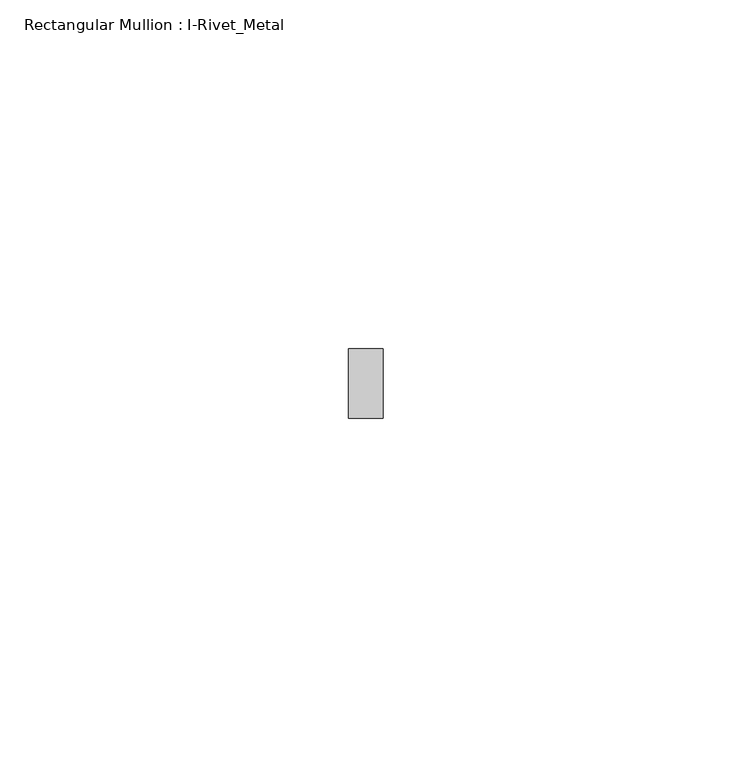
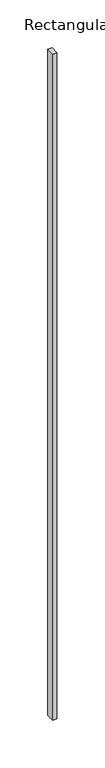
"""IFC4 building model written with IfcOpenShell, lengths in millimetres: member geometry, Rectangular Mullion : I-Rivet_Metal."""

from ifc_helpers import new_model, si_unit, frame, origin, place, context, project, spatial, polyline, outline, extrude, source, transform, mapped, element, save


def rectangular_mullion_i_rivet_metal_5f5be3e1(model_context):
    return source(origin(), model_context, "Body", "SweptSolid", [
        extrude(outline(polyline([(-5.0, 70.0), (-5.0, 80.0), (0.0, 80.0), (0.0, 70.0), (-5.0, 70.0)])), frame((0.0, 0.0, -847.5), z_axis=(0.0, 0.0, 1.0), x_axis=(1.0, 0.0, 0.0)), (0.0, 0.0, 1.0), 847.5),
    ])


if __name__ == "__main__":
    model = new_model("IFC4")
    model_context = context("Model", 3, world=origin())
    ifc_project = project(units=[si_unit("LENGTHUNIT", "METRE", prefix="MILLI")], contexts=[model_context])
    site = spatial("IfcSite", under=ifc_project)
    building = spatial("IfcBuilding", under=site)
    placement = place(None, origin())
    rectangular_mullion_i_rivet_metal_shape = rectangular_mullion_i_rivet_metal_5f5be3e1(model_context)
    element("IfcMember", 1, ObjectType="Rectangular Mullion : I-Rivet_Metal", at=placement, inside=building, context=model_context, shape_type="MappedRepresentation", body=[
        mapped(rectangular_mullion_i_rivet_metal_shape, transform((0.0, 0.0, 0.0), x_axis=(1.0, 0.0, 0.0), y_axis=(0.0, 1.0, 0.0), z_axis=(0.0, 0.0, 1.0))),
    ])
    save(model, "model.ifc")
